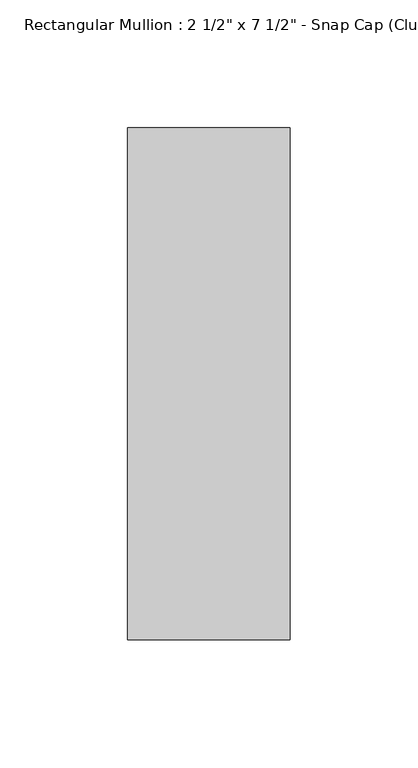
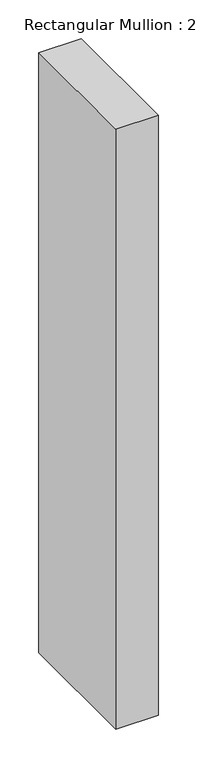
"""IFC4 building model written with IfcOpenShell, lengths in millimetres: member geometry."""

from ifc_helpers import new_model, si_unit, frame, origin, place, context, project, spatial, polyline, outline, extrude, source, transform, mapped, element, save


def member_7cb49b78(model_context):
    return source(origin(), model_context, "Body", "SweptSolid", [
        extrude(outline(polyline([(0.0, 25.8), (0.0, -174.2), (-63.5, -174.2), (-63.5, 25.8), (0.0, 25.8)])), frame((0.0, 0.0, -948.2701127), z_axis=(0.0, 0.0, 1.0), x_axis=(1.0, 0.0, 0.0)), (0.0, 0.0, 1.0), 948.2701127),
    ])


if __name__ == "__main__":
    model = new_model("IFC4")
    model_context = context("Model", 3, world=origin())
    ifc_project = project(units=[si_unit("LENGTHUNIT", "METRE", prefix="MILLI")], contexts=[model_context])
    site = spatial("IfcSite", under=ifc_project)
    building = spatial("IfcBuilding", under=site)
    placement = place(None, origin())
    member_shape = member_7cb49b78(model_context)
    element("IfcMember", 1, ObjectType="Rectangular Mullion : 2 1/2\" x 7 1/2\" - Snap Cap (Club)", at=placement, inside=building, context=model_context, shape_type="MappedRepresentation", body=[
        mapped(member_shape, transform((0.0, 0.0, 0.0), x_axis=(1.0, 0.0, 0.0), y_axis=(0.0, 1.0, 0.0), z_axis=(0.0, 0.0, 1.0))),
    ])
    save(model, "model.ifc")
